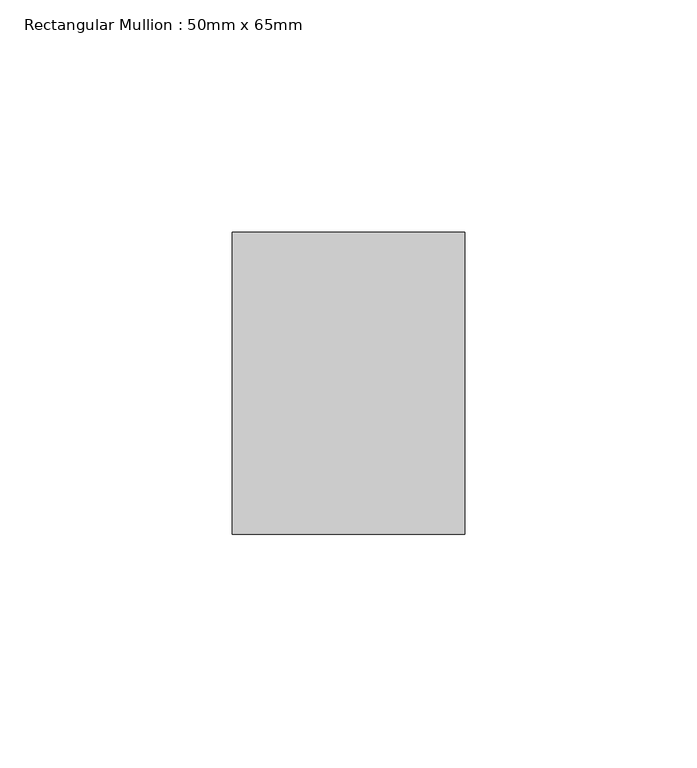
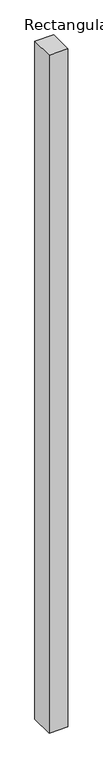
"""IFC4 building model written with IfcOpenShell, lengths in millimetres: member geometry, Rectangular Mullion : 50mm x 65mm."""

from ifc_helpers import new_model, si_unit, frame, origin, place, context, project, spatial, polyline, outline, extrude, source, transform, mapped, element, save


def rectangular_mullion_50mm_x_65mm_7ca4db52(model_context):
    return source(origin(), model_context, "Body", "SweptSolid", [
        extrude(outline(polyline([(25.0, 32.5), (25.0, -32.5), (-25.0, -32.5), (-25.0, 32.5), (25.0, 32.5)])), frame((0.0, 0.0, -1897.7017515), z_axis=(0.0, 0.0, 1.0), x_axis=(1.0, 0.0, 0.0)), (0.0, 0.0, 1.0), 1897.7017515),
    ])


if __name__ == "__main__":
    model = new_model("IFC4")
    model_context = context("Model", 3, world=origin())
    ifc_project = project(units=[si_unit("LENGTHUNIT", "METRE", prefix="MILLI")], contexts=[model_context])
    site = spatial("IfcSite", under=ifc_project)
    building = spatial("IfcBuilding", under=site)
    placement = place(None, origin())
    rectangular_mullion_50mm_x_65mm_shape = rectangular_mullion_50mm_x_65mm_7ca4db52(model_context)
    element("IfcMember", 1, ObjectType="Rectangular Mullion : 50mm x 65mm", at=placement, inside=building, context=model_context, shape_type="MappedRepresentation", body=[
        mapped(rectangular_mullion_50mm_x_65mm_shape, transform((0.0, 0.0, 0.0), x_axis=(1.0, 0.0, 0.0), y_axis=(0.0, 1.0, 0.0), z_axis=(0.0, 0.0, 1.0))),
    ])
    save(model, "model.ifc")
